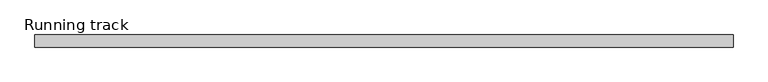
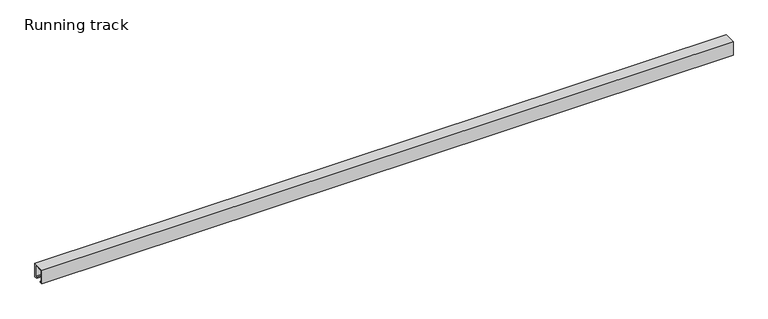
"""IFC4 building model written with IfcOpenShell, lengths in millimetres: proxy geometry, Running track."""

from ifc_helpers import new_model, si_unit, point, frame, frame_2d, origin, origin_with_axes, place, context, project, spatial, polyline, circle_curve, trimmed, segment, composite_curve, outline, extrude, faceted_brep, source, transform, mapped, element, save


def running_track_e08f6710(model_context):
    return source(origin(), model_context, "Body", "SolidModel", [
        extrude(outline(polyline([(36.5, 1857.1109747), (36.5, 1833.4983788), (33.2695661, 1833.4983788), (33.2695661, 1835.332539), (24.3170527, 1910.6793739), (32.9021554, 1910.6793739), (36.5, 1857.1109747)])), frame((0.0, -12.531559, 0.0), z_axis=(0.0, 1.0, 0.0), x_axis=(0.0, 0.0, 1.0)), (0.0, 0.0, 1.0), 25.031559),
        extrude(outline(composite_curve([segment(trimmed(circle_curve(frame_2d((0.0, 18.67839)), 6.3335878), [point((6.3335878, 18.67839))], [point((-6.3335878, 18.67839))], False, "CARTESIAN"), True, "CONTINUOUS"), segment(trimmed(circle_curve(frame_2d((0.0, 18.67839)), 6.3335878), [point((-6.3335878, 18.67839))], [point((6.3335878, 18.67839))], False, "CARTESIAN"), True, "CONTINUOUS")], self_intersect=False)), frame((1868.0, 0.0, 0.0), z_axis=(1.0, 0.0, 0.0), x_axis=(0.0, 1.0, 0.0)), (0.0, 0.0, 1.0), 4.0),
        faceted_brep([(1914.5, 14.5, 36.5), (1914.5, 14.5, 3.0), (1872.0, 14.5, 3.0), (1872.0, 14.5, 36.5), (1914.5, -14.5, 36.5), (1872.0, -14.5, 36.5), (1872.0, -14.5, 3.0), (1914.5, -14.5, 3.0), (1872.0, 12.5, 36.5), (1911.9235205, 12.5, 36.5), (1911.9235205, -12.531559, 36.5), (1872.0, -12.531559, 36.5), (1872.0, -12.531559, 25.3706125), (1872.0, 12.5, 25.3706125), (1911.9235205, 12.5, 25.3706125), (1911.9235205, -12.531559, 25.3706125)], [[[0, 1, 2, 3]], [[4, 5, 6, 7]], [[3, 8, 9, 10, 11, 5, 4, 0]], [[2, 6, 5, 11, 12, 13, 8, 3]], [[1, 7, 6, 2]], [[0, 4, 7, 1]], [[14, 9, 8, 13]], [[15, 12, 11, 10]], [[15, 10, 9, 14]], [[14, 13, 12, 15]]]),
        extrude(outline(polyline([(1914.5, 12.5), (1914.5, -12.531559), (1870.0024224, -12.531559), (1870.0024224, 12.5), (1914.5, 12.5)])), origin_with_axes(), (0.0, 0.0, 1.0), 3.0),
        extrude(outline(polyline([(-17.0, 40.0), (17.0, 40.0), (17.0, 0.0), (9.0, 0.0), (9.0, 3.0), (14.0, 3.0), (14.0, 37.0), (-14.0, 37.0), (-14.0, 3.0), (-9.0, 3.0), (-9.0, 0.0), (-17.0, 0.0), (-17.0, 40.0)])), frame((0.0, 0.0, 0.0), z_axis=(1.0, 0.0, 0.0), x_axis=(0.0, 1.0, 0.0)), (0.0, 0.0, 1.0), 1950.0),
    ])


if __name__ == "__main__":
    model = new_model("IFC4")
    model_context = context("Model", 3, world=origin())
    ifc_project = project(units=[si_unit("LENGTHUNIT", "METRE", prefix="MILLI")], contexts=[model_context])
    site = spatial("IfcSite", under=ifc_project)
    building = spatial("IfcBuilding", under=site)
    placement = place(None, origin())
    running_track_shape = running_track_e08f6710(model_context)
    element("IfcBuildingElementProxy", 1, Name="Running track", ObjectType="Running track", at=placement, inside=building, context=model_context, shape_type="MappedRepresentation", body=[
        mapped(running_track_shape, transform((0.0, 0.0, 0.0), x_axis=(1.0, 0.0, 0.0), y_axis=(0.0, 1.0, 0.0), z_axis=(0.0, 0.0, 1.0))),
    ])
    save(model, "model.ifc")
